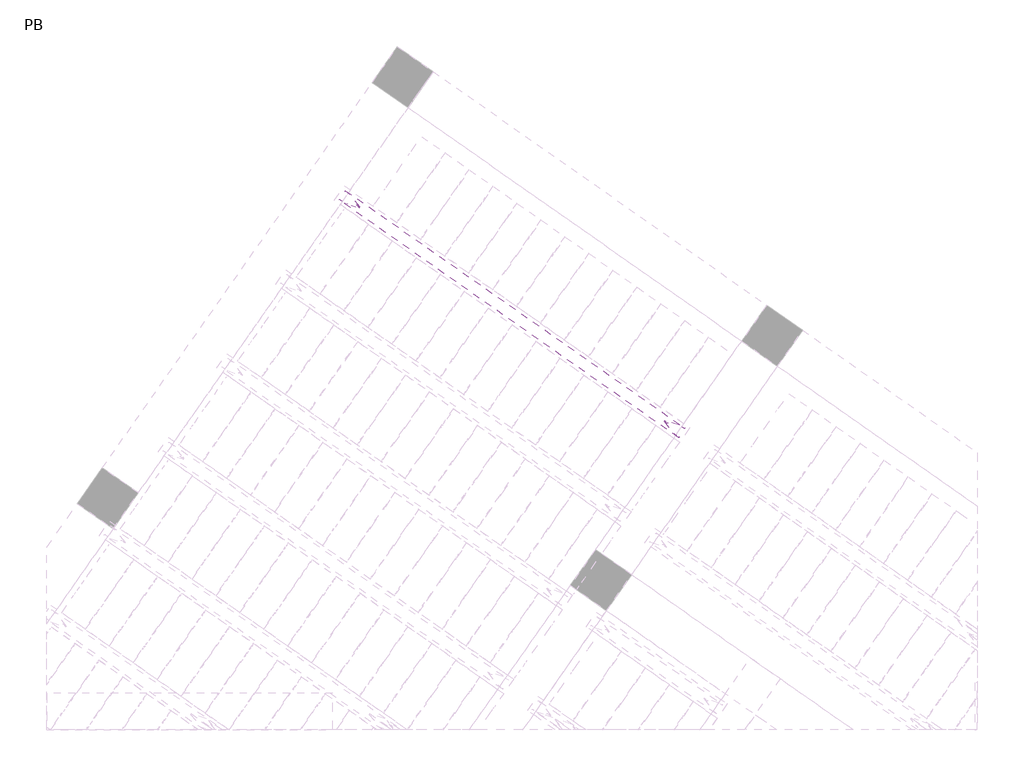
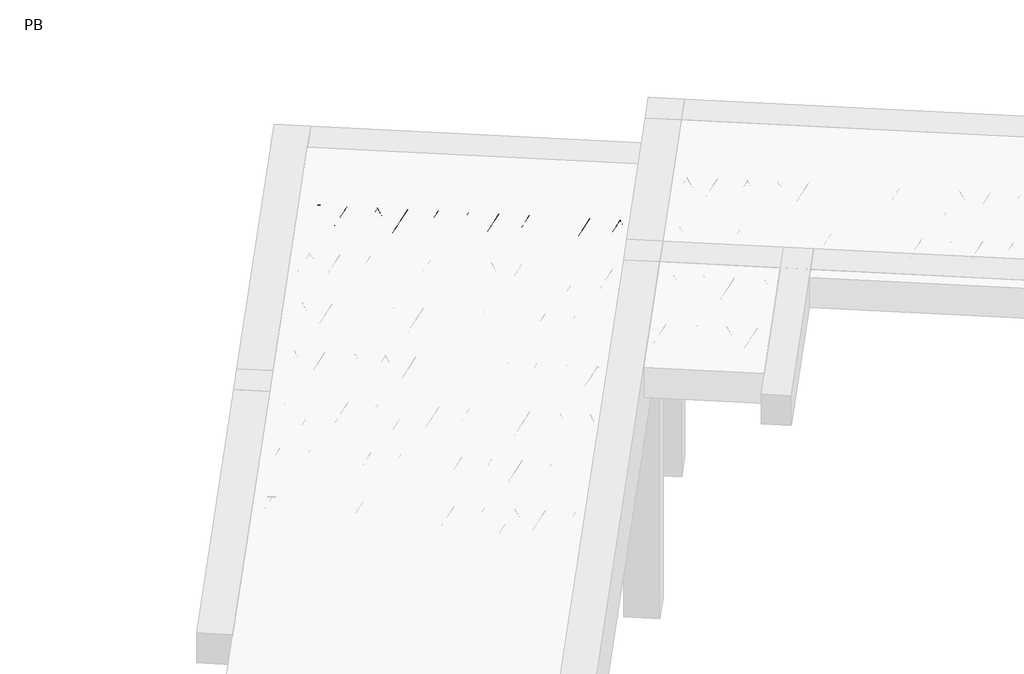
# One storey, part 52 of 56: 1 beam.
"""IFC4 building model written with IfcOpenShell, lengths in millimetres."""

from ifc_helpers import new_model, si_unit, point, frame, origin, origin_2d, place, context, project, spatial, circle_curve, trimmed, segment, composite_curve, outline, extrude, element, save

model = new_model("IFC4")

# Units and contexts
model_context = context("Model", 3, world=origin())
ifc_project = project(units=[si_unit("LENGTHUNIT", "METRE", prefix="MILLI")], contexts=[model_context])

# Site, building, storey
site = spatial("IfcSite", under=ifc_project)
building = spatial("IfcBuilding", under=site)
storey = spatial("IfcBuildingStorey", under=building, Name="PB", Elevation=95940.0)

# Beam
placement = place(None, origin())
element("IfcBeam", 1, at=placement, inside=storey, context=model_context, shape_type="SweptSolid", body=[
    extrude(outline(composite_curve([segment(trimmed(circle_curve(origin_2d(), 2.5), [point((-2.5000001, 0.0))], [point((2.5, 0.0))], False, "CARTESIAN"), True, "CONTINUOUS"), segment(trimmed(circle_curve(origin_2d(), 2.5), [point((2.5, 0.0))], [point((-2.5000001, 0.0))], False, "CARTESIAN"), True, "CONTINUOUS")], self_intersect=False)), frame((6362.0471505, 8502.8926171, 98785.0), z_axis=(-0.8191520442696126, 0.5735764363787226, 0.0), x_axis=(0.5735764363787226, 0.8191520442696126, 0.0)), (0.0, 0.0, 1.0), 2836.320962),
    extrude(outline(composite_curve([segment(trimmed(circle_curve(origin_2d(), 2.5), [point((-2.5, 0.0))], [point((2.5, 0.0))], False, "CARTESIAN"), True, "CONTINUOUS"), segment(trimmed(circle_curve(origin_2d(), 2.5), [point((2.5, 0.0))], [point((-2.5, 0.0))], False, "CARTESIAN"), True, "CONTINUOUS")], self_intersect=False)), frame((6285.9045027, 8600.1561582, 99010.0), z_axis=(-0.8191520442696126, 0.5735764363787226, 0.0), x_axis=(0.5735764363787226, 0.8191520442696126, 0.0)), (0.0, 0.0, 1.0), 2600.0),
    extrude(outline(composite_curve([segment(trimmed(circle_curve(origin_2d(), 2.5), [point((-2.5, 0.0))], [point((2.5, 0.0))], False, "CARTESIAN"), True, "CONTINUOUS"), segment(trimmed(circle_curve(origin_2d(), 2.5), [point((2.5, 0.0))], [point((-2.5, 0.0))], False, "CARTESIAN"), True, "CONTINUOUS")], self_intersect=False)), frame((6326.6921543, 8527.6484519, 98785.0), z_axis=(-0.3145304735701046, 0.38933448886848654, 0.8657304643902053), x_axis=(0.7778747638402499, 0.6284193279813057, 0.0)), (0.0, 0.0, 1.0), 259.8961331),
    extrude(outline(composite_curve([segment(trimmed(circle_curve(origin_2d(), 2.5), [point((2.5, 0.0))], [point((-2.5, 1e-07))], False, "CARTESIAN"), True, "CONTINUOUS"), segment(trimmed(circle_curve(origin_2d(), 2.5), [point((-2.5, 1e-07))], [point((2.5, 0.0))], False, "CARTESIAN"), True, "CONTINUOUS")], self_intersect=False)), frame((6121.9041432, 8671.042561, 98785.0), z_axis=(0.47343050384693375, -0.16240172737369005, 0.8657304643902051), x_axis=(-0.3244721671091268, -0.9458952440791246, 0.0)), (0.0, 0.0, 1.0), 259.8961331),
    extrude(outline(composite_curve([segment(trimmed(circle_curve(origin_2d(), 2.5), [point((-2.5, 0.0))], [point((2.5, 0.0))], False, "CARTESIAN"), True, "CONTINUOUS"), segment(trimmed(circle_curve(origin_2d(), 2.5), [point((2.5, 0.0))], [point((-2.5, 0.0))], False, "CARTESIAN"), True, "CONTINUOUS")], self_intersect=False)), frame((6121.9041432, 8671.042561, 98785.0), z_axis=(-0.3145304735701046, 0.38933448886848654, 0.8657304643902053), x_axis=(0.7778747638402499, 0.6284193279813057, 0.0)), (0.0, 0.0, 1.0), 259.8961331),
    extrude(outline(composite_curve([segment(trimmed(circle_curve(origin_2d(), 2.5), [point((2.5, -1e-07))], [point((-2.5, 0.0))], False, "CARTESIAN"), True, "CONTINUOUS"), segment(trimmed(circle_curve(origin_2d(), 2.5), [point((-2.5, 0.0))], [point((2.5, -1e-07))], False, "CARTESIAN"), True, "CONTINUOUS")], self_intersect=False)), frame((5917.1161322, 8814.4366701, 98785.0), z_axis=(0.47343050384693375, -0.16240172737369005, 0.8657304643902051), x_axis=(-0.3244721671091268, -0.9458952440791246, 0.0)), (0.0, 0.0, 1.0), 259.8961331),
    extrude(outline(composite_curve([segment(trimmed(circle_curve(origin_2d(), 2.5), [point((-2.5, 0.0))], [point((2.5, 0.0))], False, "CARTESIAN"), True, "CONTINUOUS"), segment(trimmed(circle_curve(origin_2d(), 2.5), [point((2.5, 0.0))], [point((-2.5, 0.0))], False, "CARTESIAN"), True, "CONTINUOUS")], self_intersect=False)), frame((5917.1161322, 8814.4366701, 98785.0), z_axis=(-0.3145304735701046, 0.38933448886848654, 0.8657304643902053), x_axis=(0.7778747638402499, 0.6284193279813057, 0.0)), (0.0, 0.0, 1.0), 259.8961331),
    extrude(outline(composite_curve([segment(trimmed(circle_curve(origin_2d(), 2.5), [point((2.5, 0.0))], [point((-2.5, 0.0))], False, "CARTESIAN"), True, "CONTINUOUS"), segment(trimmed(circle_curve(origin_2d(), 2.5), [point((-2.5, 0.0))], [point((2.5, 0.0))], False, "CARTESIAN"), True, "CONTINUOUS")], self_intersect=False)), frame((5712.3281211, 8957.8307792, 98785.0), z_axis=(0.47343050384693375, -0.16240172737369005, 0.8657304643902051), x_axis=(-0.3244721671091268, -0.9458952440791246, 0.0)), (0.0, 0.0, 1.0), 259.8961331),
    extrude(outline(composite_curve([segment(trimmed(circle_curve(origin_2d(), 2.5), [point((-2.5, -1e-07))], [point((2.5, 0.0))], False, "CARTESIAN"), True, "CONTINUOUS"), segment(trimmed(circle_curve(origin_2d(), 2.5), [point((2.5, 0.0))], [point((-2.5, -1e-07))], False, "CARTESIAN"), True, "CONTINUOUS")], self_intersect=False)), frame((5712.3281211, 8957.8307792, 98785.0), z_axis=(-0.3145304735701046, 0.38933448886848654, 0.8657304643902053), x_axis=(0.7778747638402499, 0.6284193279813057, 0.0)), (0.0, 0.0, 1.0), 259.8961331),
    extrude(outline(composite_curve([segment(trimmed(circle_curve(origin_2d(), 2.5), [point((2.5, 0.0))], [point((-2.5, 0.0))], False, "CARTESIAN"), True, "CONTINUOUS"), segment(trimmed(circle_curve(origin_2d(), 2.5), [point((-2.5, 0.0))], [point((2.5, 0.0))], False, "CARTESIAN"), True, "CONTINUOUS")], self_intersect=False)), frame((5507.54011, 9101.2248883, 98785.0), z_axis=(0.47343050384693375, -0.16240172737369005, 0.8657304643902051), x_axis=(-0.3244721671091268, -0.9458952440791246, 0.0)), (0.0, 0.0, 1.0), 259.8961331),
    extrude(outline(composite_curve([segment(trimmed(circle_curve(origin_2d(), 2.5), [point((-2.5, 0.0))], [point((2.5000001, -1e-07))], False, "CARTESIAN"), True, "CONTINUOUS"), segment(trimmed(circle_curve(origin_2d(), 2.5), [point((2.5000001, -1e-07))], [point((-2.5, 0.0))], False, "CARTESIAN"), True, "CONTINUOUS")], self_intersect=False)), frame((5507.5401099, 9101.2248883, 98785.0), z_axis=(-0.3145304735701046, 0.38933448886848654, 0.8657304643902053), x_axis=(0.7778747638402499, 0.6284193279813057, 0.0)), (0.0, 0.0, 1.0), 259.8961331),
    extrude(outline(composite_curve([segment(trimmed(circle_curve(origin_2d(), 2.5), [point((2.5, 0.0))], [point((-2.5, 0.0))], False, "CARTESIAN"), True, "CONTINUOUS"), segment(trimmed(circle_curve(origin_2d(), 2.5), [point((-2.5, 0.0))], [point((2.5, 0.0))], False, "CARTESIAN"), True, "CONTINUOUS")], self_intersect=False)), frame((5302.7520989, 9244.6189974, 98785.0), z_axis=(0.47343050384693375, -0.16240172737369005, 0.8657304643902051), x_axis=(-0.3244721671091268, -0.9458952440791246, 0.0)), (0.0, 0.0, 1.0), 259.8961331),
    extrude(outline(composite_curve([segment(trimmed(circle_curve(origin_2d(), 2.5), [point((-2.5, 0.0))], [point((2.5, 0.0))], False, "CARTESIAN"), True, "CONTINUOUS"), segment(trimmed(circle_curve(origin_2d(), 2.5), [point((2.5, 0.0))], [point((-2.5, 0.0))], False, "CARTESIAN"), True, "CONTINUOUS")], self_intersect=False)), frame((5302.7520989, 9244.6189974, 98785.0), z_axis=(-0.3145304735701046, 0.38933448886848654, 0.8657304643902053), x_axis=(0.7778747638402499, 0.6284193279813057, 0.0)), (0.0, 0.0, 1.0), 259.8961331),
    extrude(outline(composite_curve([segment(trimmed(circle_curve(origin_2d(), 2.5), [point((2.5, 0.0))], [point((-2.5, 0.0))], False, "CARTESIAN"), True, "CONTINUOUS"), segment(trimmed(circle_curve(origin_2d(), 2.5), [point((-2.5, 0.0))], [point((2.5, 0.0))], False, "CARTESIAN"), True, "CONTINUOUS")], self_intersect=False)), frame((5097.9640878, 9388.0131065, 98785.0), z_axis=(0.47343050384693375, -0.16240172737369005, 0.8657304643902051), x_axis=(-0.3244721671091268, -0.9458952440791246, 0.0)), (0.0, 0.0, 1.0), 259.8961331),
    extrude(outline(composite_curve([segment(trimmed(circle_curve(origin_2d(), 2.5), [point((-2.5, 0.0))], [point((2.5, 0.0))], False, "CARTESIAN"), True, "CONTINUOUS"), segment(trimmed(circle_curve(origin_2d(), 2.5), [point((2.5, 0.0))], [point((-2.5, 0.0))], False, "CARTESIAN"), True, "CONTINUOUS")], self_intersect=False)), frame((5097.9640878, 9388.0131065, 98785.0), z_axis=(-0.3145304735701046, 0.38933448886848654, 0.8657304643902053), x_axis=(0.7778747638402499, 0.6284193279813057, 0.0)), (0.0, 0.0, 1.0), 259.8961331),
    extrude(outline(composite_curve([segment(trimmed(circle_curve(origin_2d(), 2.5), [point((2.5, 0.0))], [point((-2.5, 1e-07))], False, "CARTESIAN"), True, "CONTINUOUS"), segment(trimmed(circle_curve(origin_2d(), 2.5), [point((-2.5, 1e-07))], [point((2.5, 0.0))], False, "CARTESIAN"), True, "CONTINUOUS")], self_intersect=False)), frame((4893.1760767, 9531.4072156, 98785.0), z_axis=(0.47343050384693375, -0.16240172737369005, 0.8657304643902051), x_axis=(-0.3244721671091268, -0.9458952440791246, 0.0)), (0.0, 0.0, 1.0), 259.8961331),
    extrude(outline(composite_curve([segment(trimmed(circle_curve(origin_2d(), 2.5), [point((-2.5, 0.0))], [point((2.5000001, -1e-07))], False, "CARTESIAN"), True, "CONTINUOUS"), segment(trimmed(circle_curve(origin_2d(), 2.5), [point((2.5000001, -1e-07))], [point((-2.5, 0.0))], False, "CARTESIAN"), True, "CONTINUOUS")], self_intersect=False)), frame((4893.1760767, 9531.4072156, 98785.0), z_axis=(-0.3145304735701046, 0.38933448886848654, 0.8657304643902053), x_axis=(0.7778747638402499, 0.6284193279813057, 0.0)), (0.0, 0.0, 1.0), 259.8961331),
    extrude(outline(composite_curve([segment(trimmed(circle_curve(origin_2d(), 2.5), [point((2.5, 0.0))], [point((-2.5, 0.0))], False, "CARTESIAN"), True, "CONTINUOUS"), segment(trimmed(circle_curve(origin_2d(), 2.5), [point((-2.5, 0.0))], [point((2.5, 0.0))], False, "CARTESIAN"), True, "CONTINUOUS")], self_intersect=False)), frame((4688.3880657, 9674.8013247, 98785.0), z_axis=(0.47343050384693375, -0.16240172737369005, 0.8657304643902051), x_axis=(-0.3244721671091268, -0.9458952440791246, 0.0)), (0.0, 0.0, 1.0), 259.8961331),
    extrude(outline(composite_curve([segment(trimmed(circle_curve(origin_2d(), 2.5), [point((-2.5, 0.0))], [point((2.5, 0.0))], False, "CARTESIAN"), True, "CONTINUOUS"), segment(trimmed(circle_curve(origin_2d(), 2.5), [point((2.5, 0.0))], [point((-2.5, 0.0))], False, "CARTESIAN"), True, "CONTINUOUS")], self_intersect=False)), frame((4688.3880657, 9674.8013247, 98785.0), z_axis=(-0.3145304735701046, 0.38933448886848654, 0.8657304643902053), x_axis=(0.7778747638402499, 0.6284193279813057, 0.0)), (0.0, 0.0, 1.0), 259.8961331),
    extrude(outline(composite_curve([segment(trimmed(circle_curve(origin_2d(), 2.5), [point((2.5, 0.0))], [point((-2.5, 0.0))], False, "CARTESIAN"), True, "CONTINUOUS"), segment(trimmed(circle_curve(origin_2d(), 2.5), [point((-2.5, 0.0))], [point((2.5, 0.0))], False, "CARTESIAN"), True, "CONTINUOUS")], self_intersect=False)), frame((4483.6000546, 9818.1954338, 98785.0), z_axis=(0.47343050384693375, -0.16240172737369005, 0.8657304643902051), x_axis=(-0.3244721671091268, -0.9458952440791246, 0.0)), (0.0, 0.0, 1.0), 259.8961331),
    extrude(outline(composite_curve([segment(trimmed(circle_curve(origin_2d(), 2.5), [point((-2.5, 0.0))], [point((2.5, 0.0))], False, "CARTESIAN"), True, "CONTINUOUS"), segment(trimmed(circle_curve(origin_2d(), 2.5), [point((2.5, 0.0))], [point((-2.5, 0.0))], False, "CARTESIAN"), True, "CONTINUOUS")], self_intersect=False)), frame((4483.6000546, 9818.1954338, 98785.0), z_axis=(-0.3145304735701046, 0.38933448886848654, 0.8657304643902053), x_axis=(0.7778747638402499, 0.6284193279813057, 0.0)), (0.0, 0.0, 1.0), 259.8961331),
    extrude(outline(composite_curve([segment(trimmed(circle_curve(origin_2d(), 2.5), [point((2.5, 0.0))], [point((-2.5, 1e-07))], False, "CARTESIAN"), True, "CONTINUOUS"), segment(trimmed(circle_curve(origin_2d(), 2.5), [point((-2.5, 1e-07))], [point((2.5, 0.0))], False, "CARTESIAN"), True, "CONTINUOUS")], self_intersect=False)), frame((4278.8120435, 9961.5895429, 98785.0), z_axis=(0.47343050384693375, -0.16240172737369005, 0.8657304643902051), x_axis=(-0.3244721671091268, -0.9458952440791246, 0.0)), (0.0, 0.0, 1.0), 259.8961331),
    extrude(outline(composite_curve([segment(trimmed(circle_curve(origin_2d(), 2.5), [point((-2.5, 0.0))], [point((2.5000001, -1e-07))], False, "CARTESIAN"), True, "CONTINUOUS"), segment(trimmed(circle_curve(origin_2d(), 2.5), [point((2.5000001, -1e-07))], [point((-2.5, 0.0))], False, "CARTESIAN"), True, "CONTINUOUS")], self_intersect=False)), frame((4278.8120435, 9961.5895429, 98785.0), z_axis=(-0.3145304735701046, 0.38933448886848654, 0.8657304643902053), x_axis=(0.7778747638402499, 0.6284193279813057, 0.0)), (0.0, 0.0, 1.0), 259.8961331),
    extrude(outline(composite_curve([segment(trimmed(circle_curve(origin_2d(), 2.5), [point((2.5, 0.0))], [point((-2.5, 0.0))], False, "CARTESIAN"), True, "CONTINUOUS"), segment(trimmed(circle_curve(origin_2d(), 2.5), [point((-2.5, 0.0))], [point((2.5, 0.0))], False, "CARTESIAN"), True, "CONTINUOUS")], self_intersect=False)), frame((4074.0240325, 10104.983652, 98785.0), z_axis=(0.47343050384693375, -0.16240172737369005, 0.8657304643902051), x_axis=(-0.3244721671091268, -0.9458952440791246, 0.0)), (0.0, 0.0, 1.0), 259.8961331),
    extrude(outline(composite_curve([segment(trimmed(circle_curve(origin_2d(), 2.5), [point((-2.5, 0.0))], [point((2.5000001, 0.0))], False, "CARTESIAN"), True, "CONTINUOUS"), segment(trimmed(circle_curve(origin_2d(), 2.5), [point((2.5000001, 0.0))], [point((-2.5, 0.0))], False, "CARTESIAN"), True, "CONTINUOUS")], self_intersect=False)), frame((6403.3446539, 8561.8715642, 98785.0), z_axis=(-0.8191520442696126, 0.5735764363787226, 0.0), x_axis=(0.5735764363787226, 0.8191520442696126, 0.0)), (0.0, 0.0, 1.0), 2836.320962),
    extrude(outline(composite_curve([segment(trimmed(circle_curve(origin_2d(), 2.5), [point((-2.5, 0.0))], [point((2.5, 0.0))], False, "CARTESIAN"), True, "CONTINUOUS"), segment(trimmed(circle_curve(origin_2d(), 2.5), [point((2.5, 0.0))], [point((-2.5, 0.0))], False, "CARTESIAN"), True, "CONTINUOUS")], self_intersect=False)), frame((6367.9896577, 8586.6273991, 98785.0), z_axis=(-0.47343050384693375, 0.16240172737369005, 0.8657304643902051), x_axis=(0.3244721671091268, 0.9458952440791246, 0.0)), (0.0, 0.0, 1.0), 259.8961331),
    extrude(outline(composite_curve([segment(trimmed(circle_curve(origin_2d(), 2.5), [point((2.5000001, 0.0))], [point((-2.5, 0.0))], False, "CARTESIAN"), True, "CONTINUOUS"), segment(trimmed(circle_curve(origin_2d(), 2.5), [point((-2.5, 0.0))], [point((2.5000001, 0.0))], False, "CARTESIAN"), True, "CONTINUOUS")], self_intersect=False)), frame((6163.2016467, 8730.0215082, 98785.0), z_axis=(0.3145304735701046, -0.38933448886848654, 0.8657304643902053), x_axis=(-0.7778747638402499, -0.6284193279813057, 0.0)), (0.0, 0.0, 1.0), 259.8961331),
    extrude(outline(composite_curve([segment(trimmed(circle_curve(origin_2d(), 2.5), [point((-2.5, 1e-07))], [point((2.5, 0.0))], False, "CARTESIAN"), True, "CONTINUOUS"), segment(trimmed(circle_curve(origin_2d(), 2.5), [point((2.5, 0.0))], [point((-2.5, 1e-07))], False, "CARTESIAN"), True, "CONTINUOUS")], self_intersect=False)), frame((6163.2016467, 8730.0215082, 98785.0), z_axis=(-0.47343050384693375, 0.16240172737369005, 0.8657304643902051), x_axis=(0.3244721671091268, 0.9458952440791246, 0.0)), (0.0, 0.0, 1.0), 259.8961331),
    extrude(outline(composite_curve([segment(trimmed(circle_curve(origin_2d(), 2.5), [point((2.5, 1e-07))], [point((-2.5, 0.0))], False, "CARTESIAN"), True, "CONTINUOUS"), segment(trimmed(circle_curve(origin_2d(), 2.5), [point((-2.5, 0.0))], [point((2.5, 1e-07))], False, "CARTESIAN"), True, "CONTINUOUS")], self_intersect=False)), frame((5958.4136356, 8873.4156173, 98785.0), z_axis=(0.3145304735701046, -0.38933448886848654, 0.8657304643902053), x_axis=(-0.7778747638402499, -0.6284193279813057, 0.0)), (0.0, 0.0, 1.0), 259.8961331),
    extrude(outline(composite_curve([segment(trimmed(circle_curve(origin_2d(), 2.5), [point((-2.5, 0.0))], [point((2.5, 0.0))], False, "CARTESIAN"), True, "CONTINUOUS"), segment(trimmed(circle_curve(origin_2d(), 2.5), [point((2.5, 0.0))], [point((-2.5, 0.0))], False, "CARTESIAN"), True, "CONTINUOUS")], self_intersect=False)), frame((5958.4136356, 8873.4156173, 98785.0), z_axis=(-0.47343050384693375, 0.16240172737369005, 0.8657304643902051), x_axis=(0.3244721671091268, 0.9458952440791246, 0.0)), (0.0, 0.0, 1.0), 259.8961331),
    extrude(outline(composite_curve([segment(trimmed(circle_curve(origin_2d(), 2.5), [point((2.5, 1e-07))], [point((-2.5, 0.0))], False, "CARTESIAN"), True, "CONTINUOUS"), segment(trimmed(circle_curve(origin_2d(), 2.5), [point((-2.5, 0.0))], [point((2.5, 1e-07))], False, "CARTESIAN"), True, "CONTINUOUS")], self_intersect=False)), frame((5753.6256245, 9016.8097264, 98785.0), z_axis=(0.3145304735701046, -0.38933448886848654, 0.8657304643902053), x_axis=(-0.7778747638402499, -0.6284193279813057, 0.0)), (0.0, 0.0, 1.0), 259.8961331),
    extrude(outline(composite_curve([segment(trimmed(circle_curve(origin_2d(), 2.5), [point((-2.5000001, 0.0))], [point((2.5, 0.0))], False, "CARTESIAN"), True, "CONTINUOUS"), segment(trimmed(circle_curve(origin_2d(), 2.5), [point((2.5, 0.0))], [point((-2.5000001, 0.0))], False, "CARTESIAN"), True, "CONTINUOUS")], self_intersect=False)), frame((5753.6256245, 9016.8097264, 98785.0), z_axis=(-0.47343050384693375, 0.16240172737369005, 0.8657304643902051), x_axis=(0.3244721671091268, 0.9458952440791246, 0.0)), (0.0, 0.0, 1.0), 259.8961331),
    extrude(outline(composite_curve([segment(trimmed(circle_curve(origin_2d(), 2.5), [point((2.5000001, -1e-07))], [point((-2.5, -1e-07))], False, "CARTESIAN"), True, "CONTINUOUS"), segment(trimmed(circle_curve(origin_2d(), 2.5), [point((-2.5, -1e-07))], [point((2.5000001, -1e-07))], False, "CARTESIAN"), True, "CONTINUOUS")], self_intersect=False)), frame((5548.8376135, 9160.2038354, 98785.0), z_axis=(0.3145304735701046, -0.38933448886848654, 0.8657304643902053), x_axis=(-0.7778747638402499, -0.6284193279813057, 0.0)), (0.0, 0.0, 1.0), 259.8961331),
    extrude(outline(composite_curve([segment(trimmed(circle_curve(origin_2d(), 2.5), [point((-2.5, 1e-07))], [point((2.5, 0.0))], False, "CARTESIAN"), True, "CONTINUOUS"), segment(trimmed(circle_curve(origin_2d(), 2.5), [point((2.5, 0.0))], [point((-2.5, 1e-07))], False, "CARTESIAN"), True, "CONTINUOUS")], self_intersect=False)), frame((5548.8376134, 9160.2038355, 98785.0), z_axis=(-0.47343050384693375, 0.16240172737369005, 0.8657304643902051), x_axis=(0.3244721671091268, 0.9458952440791246, 0.0)), (0.0, 0.0, 1.0), 259.8961331),
    extrude(outline(composite_curve([segment(trimmed(circle_curve(origin_2d(), 2.5), [point((2.5, 0.0))], [point((-2.5, 0.0))], False, "CARTESIAN"), True, "CONTINUOUS"), segment(trimmed(circle_curve(origin_2d(), 2.5), [point((-2.5, 0.0))], [point((2.5, 0.0))], False, "CARTESIAN"), True, "CONTINUOUS")], self_intersect=False)), frame((5344.0496023, 9303.5979446, 98785.0), z_axis=(0.3145304735701046, -0.38933448886848654, 0.8657304643902053), x_axis=(-0.7778747638402499, -0.6284193279813057, 0.0)), (0.0, 0.0, 1.0), 259.8961331),
    extrude(outline(composite_curve([segment(trimmed(circle_curve(origin_2d(), 2.5), [point((-2.5, 0.0))], [point((2.5, 0.0))], False, "CARTESIAN"), True, "CONTINUOUS"), segment(trimmed(circle_curve(origin_2d(), 2.5), [point((2.5, 0.0))], [point((-2.5, 0.0))], False, "CARTESIAN"), True, "CONTINUOUS")], self_intersect=False)), frame((5344.0496023, 9303.5979446, 98785.0), z_axis=(-0.47343050384693375, 0.16240172737369005, 0.8657304643902051), x_axis=(0.3244721671091268, 0.9458952440791246, 0.0)), (0.0, 0.0, 1.0), 259.8961331),
    extrude(outline(composite_curve([segment(trimmed(circle_curve(origin_2d(), 2.5), [point((2.5, 0.0))], [point((-2.5, 0.0))], False, "CARTESIAN"), True, "CONTINUOUS"), segment(trimmed(circle_curve(origin_2d(), 2.5), [point((-2.5, 0.0))], [point((2.5, 0.0))], False, "CARTESIAN"), True, "CONTINUOUS")], self_intersect=False)), frame((5139.2615912, 9446.9920537, 98785.0), z_axis=(0.3145304735701046, -0.38933448886848654, 0.8657304643902053), x_axis=(-0.7778747638402499, -0.6284193279813057, 0.0)), (0.0, 0.0, 1.0), 259.8961331),
    extrude(outline(composite_curve([segment(trimmed(circle_curve(origin_2d(), 2.5), [point((-2.5, 0.0))], [point((2.5, -1e-07))], False, "CARTESIAN"), True, "CONTINUOUS"), segment(trimmed(circle_curve(origin_2d(), 2.5), [point((2.5, -1e-07))], [point((-2.5, 0.0))], False, "CARTESIAN"), True, "CONTINUOUS")], self_intersect=False)), frame((5139.2615912, 9446.9920537, 98785.0), z_axis=(-0.47343050384693375, 0.16240172737369005, 0.8657304643902051), x_axis=(0.3244721671091268, 0.9458952440791246, 0.0)), (0.0, 0.0, 1.0), 259.8961331),
    extrude(outline(composite_curve([segment(trimmed(circle_curve(origin_2d(), 2.5), [point((2.5, 0.0))], [point((-2.5, 0.0))], False, "CARTESIAN"), True, "CONTINUOUS"), segment(trimmed(circle_curve(origin_2d(), 2.5), [point((-2.5, 0.0))], [point((2.5, 0.0))], False, "CARTESIAN"), True, "CONTINUOUS")], self_intersect=False)), frame((4934.4735802, 9590.3861628, 98785.0), z_axis=(0.3145304735701046, -0.38933448886848654, 0.8657304643902053), x_axis=(-0.7778747638402499, -0.6284193279813057, 0.0)), (0.0, 0.0, 1.0), 259.8961331),
    extrude(outline(composite_curve([segment(trimmed(circle_curve(origin_2d(), 2.5), [point((-2.5, 1e-07))], [point((2.5, 0.0))], False, "CARTESIAN"), True, "CONTINUOUS"), segment(trimmed(circle_curve(origin_2d(), 2.5), [point((2.5, 0.0))], [point((-2.5, 1e-07))], False, "CARTESIAN"), True, "CONTINUOUS")], self_intersect=False)), frame((4934.4735802, 9590.3861628, 98785.0), z_axis=(-0.47343050384693375, 0.16240172737369005, 0.8657304643902051), x_axis=(0.3244721671091268, 0.9458952440791246, 0.0)), (0.0, 0.0, 1.0), 259.8961331),
    extrude(outline(composite_curve([segment(trimmed(circle_curve(origin_2d(), 2.5), [point((2.5, 0.0))], [point((-2.5, 0.0))], False, "CARTESIAN"), True, "CONTINUOUS"), segment(trimmed(circle_curve(origin_2d(), 2.5), [point((-2.5, 0.0))], [point((2.5, 0.0))], False, "CARTESIAN"), True, "CONTINUOUS")], self_intersect=False)), frame((4729.6855691, 9733.7802719, 98785.0), z_axis=(0.3145304735701046, -0.38933448886848654, 0.8657304643902053), x_axis=(-0.7778747638402499, -0.6284193279813057, 0.0)), (0.0, 0.0, 1.0), 259.8961331),
    extrude(outline(composite_curve([segment(trimmed(circle_curve(origin_2d(), 2.5), [point((-2.5, 0.0))], [point((2.5, 0.0))], False, "CARTESIAN"), True, "CONTINUOUS"), segment(trimmed(circle_curve(origin_2d(), 2.5), [point((2.5, 0.0))], [point((-2.5, 0.0))], False, "CARTESIAN"), True, "CONTINUOUS")], self_intersect=False)), frame((4729.6855691, 9733.7802719, 98785.0), z_axis=(-0.47343050384693375, 0.16240172737369005, 0.8657304643902051), x_axis=(0.3244721671091268, 0.9458952440791246, 0.0)), (0.0, 0.0, 1.0), 259.8961331),
    extrude(outline(composite_curve([segment(trimmed(circle_curve(origin_2d(), 2.5), [point((2.5, 0.0))], [point((-2.5, 0.0))], False, "CARTESIAN"), True, "CONTINUOUS"), segment(trimmed(circle_curve(origin_2d(), 2.5), [point((-2.5, 0.0))], [point((2.5, 0.0))], False, "CARTESIAN"), True, "CONTINUOUS")], self_intersect=False)), frame((4524.897558, 9877.174381, 98785.0), z_axis=(0.3145304735701046, -0.38933448886848654, 0.8657304643902053), x_axis=(-0.7778747638402499, -0.6284193279813057, 0.0)), (0.0, 0.0, 1.0), 259.8961331),
    extrude(outline(composite_curve([segment(trimmed(circle_curve(origin_2d(), 2.5), [point((-2.5, 0.0))], [point((2.5, 0.0))], False, "CARTESIAN"), True, "CONTINUOUS"), segment(trimmed(circle_curve(origin_2d(), 2.5), [point((2.5, 0.0))], [point((-2.5, 0.0))], False, "CARTESIAN"), True, "CONTINUOUS")], self_intersect=False)), frame((4524.897558, 9877.174381, 98785.0), z_axis=(-0.47343050384693375, 0.16240172737369005, 0.8657304643902051), x_axis=(0.3244721671091268, 0.9458952440791246, 0.0)), (0.0, 0.0, 1.0), 259.8961331),
    extrude(outline(composite_curve([segment(trimmed(circle_curve(origin_2d(), 2.5), [point((2.5, 0.0))], [point((-2.5, 0.0))], False, "CARTESIAN"), True, "CONTINUOUS"), segment(trimmed(circle_curve(origin_2d(), 2.5), [point((-2.5, 0.0))], [point((2.5, 0.0))], False, "CARTESIAN"), True, "CONTINUOUS")], self_intersect=False)), frame((4320.109547, 10020.5684901, 98785.0), z_axis=(0.3145304735701046, -0.38933448886848654, 0.8657304643902053), x_axis=(-0.7778747638402499, -0.6284193279813057, 0.0)), (0.0, 0.0, 1.0), 259.8961331),
    extrude(outline(composite_curve([segment(trimmed(circle_curve(origin_2d(), 2.5), [point((-2.5, 1e-07))], [point((2.5, 0.0))], False, "CARTESIAN"), True, "CONTINUOUS"), segment(trimmed(circle_curve(origin_2d(), 2.5), [point((2.5, 0.0))], [point((-2.5, 1e-07))], False, "CARTESIAN"), True, "CONTINUOUS")], self_intersect=False)), frame((4320.109547, 10020.5684901, 98785.0), z_axis=(-0.47343050384693375, 0.16240172737369005, 0.8657304643902051), x_axis=(0.3244721671091268, 0.9458952440791246, 0.0)), (0.0, 0.0, 1.0), 259.8961331),
    extrude(outline(composite_curve([segment(trimmed(circle_curve(origin_2d(), 2.5), [point((2.5, 0.0))], [point((-2.5, 0.0))], False, "CARTESIAN"), True, "CONTINUOUS"), segment(trimmed(circle_curve(origin_2d(), 2.5), [point((-2.5, 0.0))], [point((2.5, 0.0))], False, "CARTESIAN"), True, "CONTINUOUS")], self_intersect=False)), frame((4115.3215359, 10163.9625992, 98785.0), z_axis=(0.3145304735701046, -0.38933448886848654, 0.8657304643902053), x_axis=(-0.7778747638402499, -0.6284193279813057, 0.0)), (0.0, 0.0, 1.0), 259.8961331),
])

save(model, "model.ifc")
